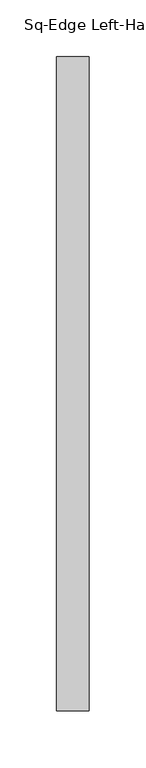
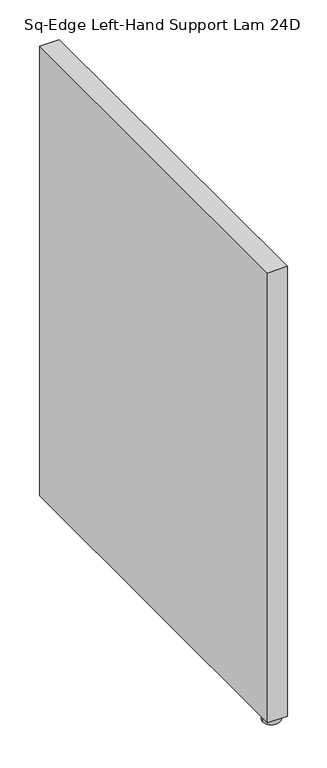
"""IFC4 building model written with IfcOpenShell, lengths in millimetres: furniture geometry, Sq-Edge Left-Hand Support Lam 24D."""

from ifc_helpers import new_model, si_unit, frame, origin, place, context, project, spatial, polyline, circle_curve, outline, extrude, source, transform, mapped, element, save
from ifc_brep_helpers import plane_surface, cylinder_surface, advanced_brep


def sq_edge_left_hand_support_lam_24d_1552e103(model_context):
    return source(origin(), model_context, "Body", "SolidModel", [
        advanced_brep(
        [(15.9512, -564.7689845, 8.6613997), (20.0756459, -564.7689845, 8.6613997), (11.8267541, -564.7689845, 8.6613997), (3.2511996, -564.7689845, -1e-07), (28.6512004, -564.7689845, -1e-07), (15.9512, -564.7689845, -1e-07), (3.2511996, -564.7689845, 7.874), (28.6512004, -564.7689845, 7.874), (11.8267541, -564.7689845, 7.874), (20.0756459, -564.7689845, 7.874)],
        [
            (0, 1),
            (1, 2, circle_curve(frame((15.9512, -564.7689845, 8.6613997), z_axis=(0.0, 0.0, 1.0), x_axis=(1.0, 0.0, 0.0)), 4.1244459)),
            (2, 0),
            (2, 1, circle_curve(frame((15.9512, -564.7689845, 8.6613997), z_axis=(0.0, 0.0, 1.0), x_axis=(1.0, 0.0, 0.0)), 4.1244459)),
            (3, 4, circle_curve(frame((15.9512, -564.7689845, -1e-07), z_axis=(0.0, 0.0, -1.0), x_axis=(1.0, 0.0, 0.0)), 12.7000004)),
            (4, 5),
            (5, 3),
            (4, 3, circle_curve(frame((15.9512, -564.7689845, -1e-07), z_axis=(0.0, 0.0, -1.0), x_axis=(1.0, 0.0, 0.0)), 12.7000004)),
            (6, 7, circle_curve(frame((15.9512, -564.7689845, 7.874), z_axis=(0.0, 0.0, -1.0), x_axis=(1.0, 0.0, 0.0)), 12.7000004)),
            (7, 4),
            (3, 6),
            (7, 6, circle_curve(frame((15.9512, -564.7689845, 7.874), z_axis=(0.0, 0.0, -1.0), x_axis=(1.0, 0.0, 0.0)), 12.7000004)),
            (8, 9, circle_curve(frame((15.9512, -564.7689845, 7.874), z_axis=(0.0, 0.0, -1.0), x_axis=(1.0, 0.0, 0.0)), 4.1244459)),
            (9, 7),
            (6, 8),
            (9, 8, circle_curve(frame((15.9512, -564.7689845, 7.874), z_axis=(0.0, 0.0, -1.0), x_axis=(1.0, 0.0, 0.0)), 4.1244459)),
            (1, 9),
            (8, 2),
        ],
        [
            plane_surface(frame((15.9512, -564.7689845, 8.6613997), z_axis=(0.0, 0.0, 1.0), x_axis=(1.0, 0.0, 0.0))),
            plane_surface(frame((15.9512, -564.7689845, -1e-07), z_axis=(0.0, 0.0, -1.0), x_axis=(1.0, 0.0, 0.0))),
            cylinder_surface(frame((15.9512, -564.7689845, 15.4967659), z_axis=(0.0, 0.0, 1.0), x_axis=(1.0, 0.0, 0.0)), 12.7000004),
            plane_surface(frame((15.9512, -564.7689845, 7.874), z_axis=(0.0, 0.0, 1.0), x_axis=(1.0, 0.0, 0.0))),
            cylinder_surface(frame((15.9512, -564.7689845, 15.4967659), z_axis=(0.0, 0.0, 1.0), x_axis=(1.0, 0.0, 0.0)), 4.1244459),
        ],
        [
            (0, [[1, 2, 3]]),
            (0, [[-3, 4, -1]]),
            (1, [[5, 6, 7]]),
            (1, [[8, -7, -6]]),
            (2, [[9, 10, -5, 11]]),
            (2, [[12, -11, -8, -10]]),
            (3, [[13, 14, -9, 15]]),
            (3, [[16, -15, -12, -14]]),
            (4, [[-2, 17, -13, 18]]),
            (4, [[-4, -18, -16, -17]]),
        ],
    ),
        extrude(outline(polyline([(30.3784, -580.644), (1.524, -580.644), (1.524, -3.556), (30.3784, -3.556), (30.3784, -580.644)])), frame((0.0, 0.0, 8.6614), z_axis=(0.0, 0.0, 1.0), x_axis=(1.0, 0.0, 0.0)), (0.0, 0.0, 1.0), 693.7502),
    ])


if __name__ == "__main__":
    model = new_model("IFC4")
    model_context = context("Model", 3, world=origin())
    ifc_project = project(units=[si_unit("LENGTHUNIT", "METRE", prefix="MILLI")], contexts=[model_context])
    site = spatial("IfcSite", under=ifc_project)
    building = spatial("IfcBuilding", under=site)
    placement = place(None, origin())
    sq_edge_left_hand_support_lam_24d_shape = sq_edge_left_hand_support_lam_24d_1552e103(model_context)
    element("IfcFurniture", 1, ObjectType="Sq-Edge Left-Hand Support Lam 24D", at=placement, inside=building, context=model_context, shape_type="MappedRepresentation", body=[
        mapped(sq_edge_left_hand_support_lam_24d_shape, transform((0.0, 0.0, 0.0), x_axis=(1.0, 0.0, 0.0), y_axis=(0.0, 1.0, 0.0), z_axis=(0.0, 0.0, 1.0))),
    ])
    save(model, "model.ifc")
